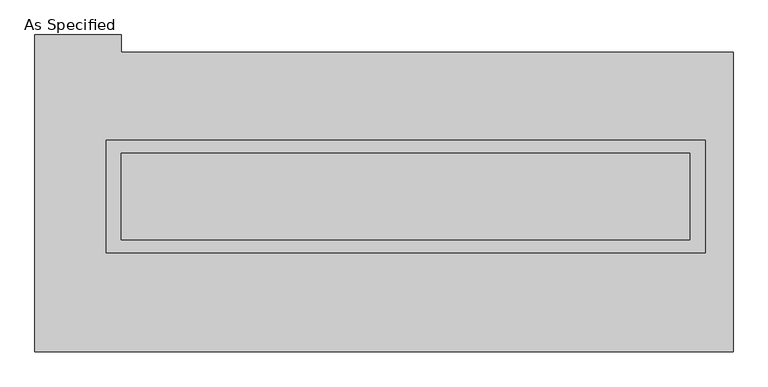
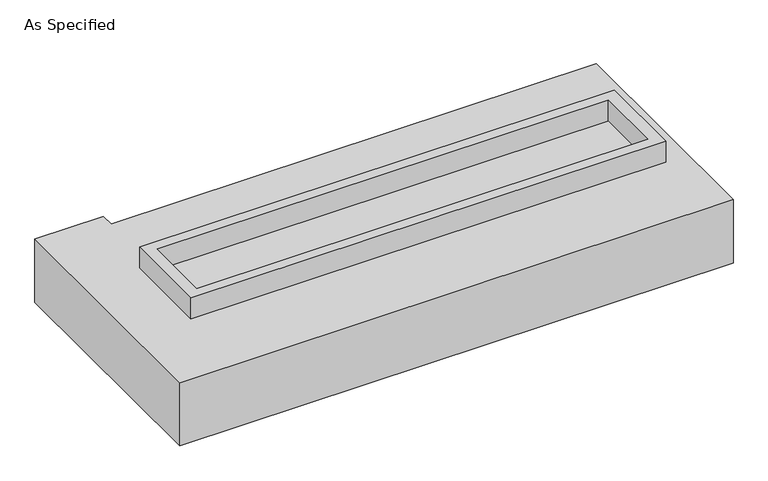
"""IFC4 building model written with IfcOpenShell, lengths in millimetres: proxy geometry, As Specified."""

from ifc_helpers import new_model, si_unit, frame, origin, place, context, project, spatial, polyline, outline, extrude, faceted_brep, source, transform, mapped, element, save


def as_specified_f1a768ab(model_context):
    return source(origin(), model_context, "Body", "SolidModel", [
        extrude(outline(polyline([(1765.3, 361.95), (1765.3, -298.45), (-1765.3, -298.45), (-1765.3, 361.95), (1765.3, 361.95)]), holes=[polyline([(1676.4, 285.75), (-1676.4, 285.75), (-1676.4, -222.25), (1676.4, -222.25), (1676.4, 285.75)])]), frame((0.0, 0.0, -25.4), z_axis=(0.0, 0.0, 1.0), x_axis=(1.0, 0.0, 0.0)), (0.0, 0.0, 1.0), 165.1),
        extrude(outline(polyline([(1676.4, 285.75), (1676.4, -222.25), (-1676.4, -222.25), (-1676.4, 285.75), (1676.4, 285.75)])), frame((0.0, 0.0, -30.3609375), z_axis=(0.0, 0.0, 1.0), x_axis=(1.0, 0.0, 0.0)), (0.0, 0.0, 1.0), 4.9609375),
        faceted_brep([(1930.4, -882.65, -523.875), (-2184.4, -882.65, -523.875), (-2184.4, 984.25, -523.875), (-1676.4, 984.25, -523.875), (-1676.4, 882.65, -523.875), (1930.4, 882.65, -523.875), (-2184.4, -882.65, -25.4), (1930.4, -882.65, -25.4), (1930.4, 882.65, -25.4), (-1676.4, 882.65, -25.4), (-1676.4, 984.25, -25.4), (-2184.4, 984.25, -25.4), (-1765.3, -298.45, -25.4), (-1765.3, 361.95, -25.4), (1765.3, 361.95, -25.4), (1765.3, -298.45, -25.4), (1765.3, 361.95, -498.475), (-1765.3, 361.95, -498.475), (-1765.3, -298.45, -498.475), (1765.3, -298.45, -498.475)], [[[0, 1, 2, 3, 4, 5]], [[6, 7, 8, 9, 10, 11], [12, 13, 14, 15]], [[8, 5, 4, 9]], [[2, 1, 6, 11]], [[5, 8, 7, 0]], [[16, 17, 18, 19]], [[18, 17, 13, 12]], [[17, 16, 14, 13]], [[16, 19, 15, 14]], [[12, 15, 19, 18]], [[1, 0, 7, 6]], [[4, 3, 10, 9]], [[3, 2, 11, 10]]]),
    ])


if __name__ == "__main__":
    model = new_model("IFC4")
    model_context = context("Model", 3, world=origin())
    ifc_project = project(units=[si_unit("LENGTHUNIT", "METRE", prefix="MILLI")], contexts=[model_context])
    site = spatial("IfcSite", under=ifc_project)
    building = spatial("IfcBuilding", under=site)
    placement = place(None, origin())
    as_specified_shape = as_specified_f1a768ab(model_context)
    element("IfcBuildingElementProxy", 1, Name="As Specified", ObjectType="As Specified", at=placement, inside=building, context=model_context, shape_type="MappedRepresentation", body=[
        mapped(as_specified_shape, transform((0.0, 0.0, 0.0), x_axis=(1.0, 0.0, 0.0), y_axis=(0.0, 1.0, 0.0), z_axis=(0.0, 0.0, 1.0))),
    ])
    save(model, "model.ifc")
